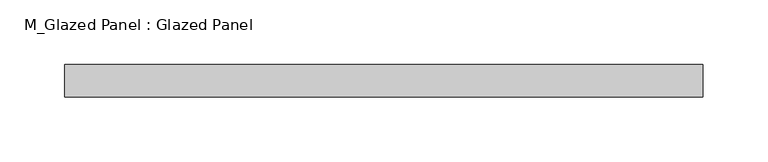
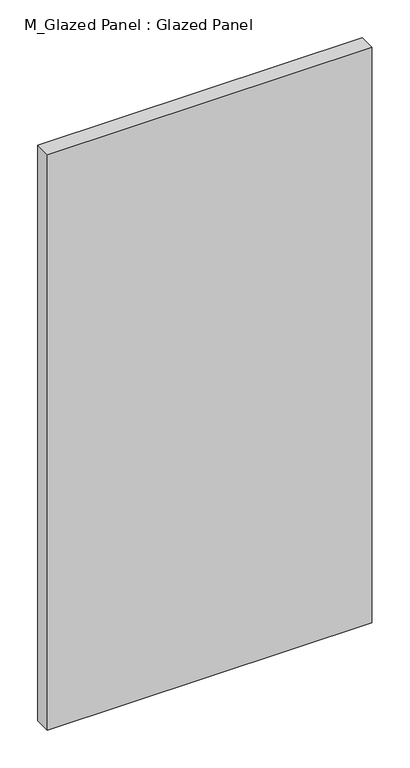
"""IFC4 building model written with IfcOpenShell, lengths in millimetres: plate geometry, M_Glazed Panel : Glazed Panel."""

from ifc_helpers import new_model, si_unit, origin, origin_with_axes, place, context, project, spatial, polyline, outline, extrude, source, transform, mapped, element, save


def m_glazed_panel_glazed_panel_5558ac13(model_context):
    return source(origin(), model_context, "Body", "SweptSolid", [
        extrude(outline(polyline([(246.5040029, -38.5), (246.5040029, -63.5), (-246.5040029, -63.5), (-246.5040029, -38.5), (246.5040029, -38.5)])), origin_with_axes(), (0.0, 0.0, 1.0), 925.0),
    ])


if __name__ == "__main__":
    model = new_model("IFC4")
    model_context = context("Model", 3, world=origin())
    ifc_project = project(units=[si_unit("LENGTHUNIT", "METRE", prefix="MILLI")], contexts=[model_context])
    site = spatial("IfcSite", under=ifc_project)
    building = spatial("IfcBuilding", under=site)
    placement = place(None, origin())
    m_glazed_panel_glazed_panel_shape = m_glazed_panel_glazed_panel_5558ac13(model_context)
    element("IfcPlate", 1, ObjectType="M_Glazed Panel : Glazed Panel", at=placement, inside=building, context=model_context, shape_type="MappedRepresentation", body=[
        mapped(m_glazed_panel_glazed_panel_shape, transform((0.0, 0.0, 0.0), x_axis=(1.0, 0.0, 0.0), y_axis=(0.0, 1.0, 0.0), z_axis=(0.0, 0.0, 1.0))),
    ])
    save(model, "model.ifc")
